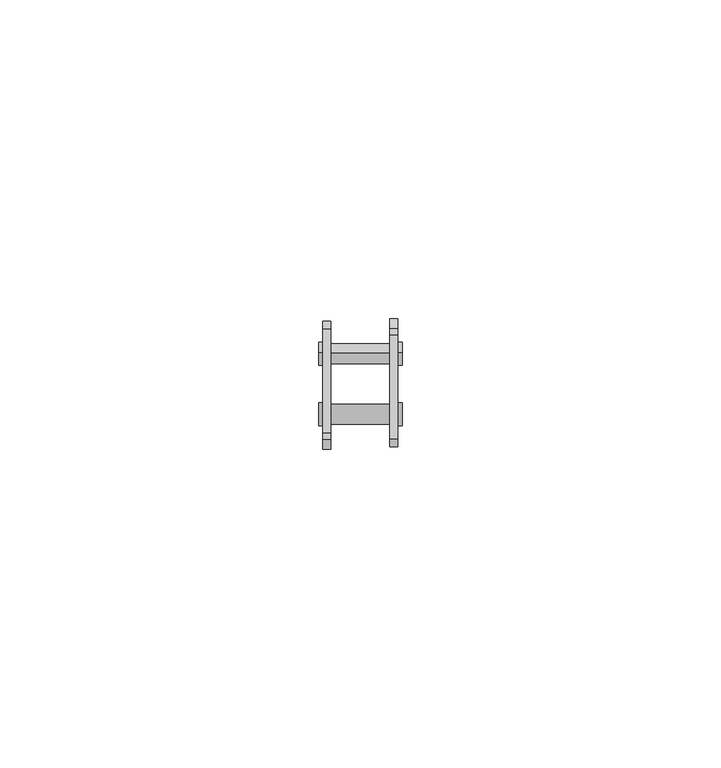
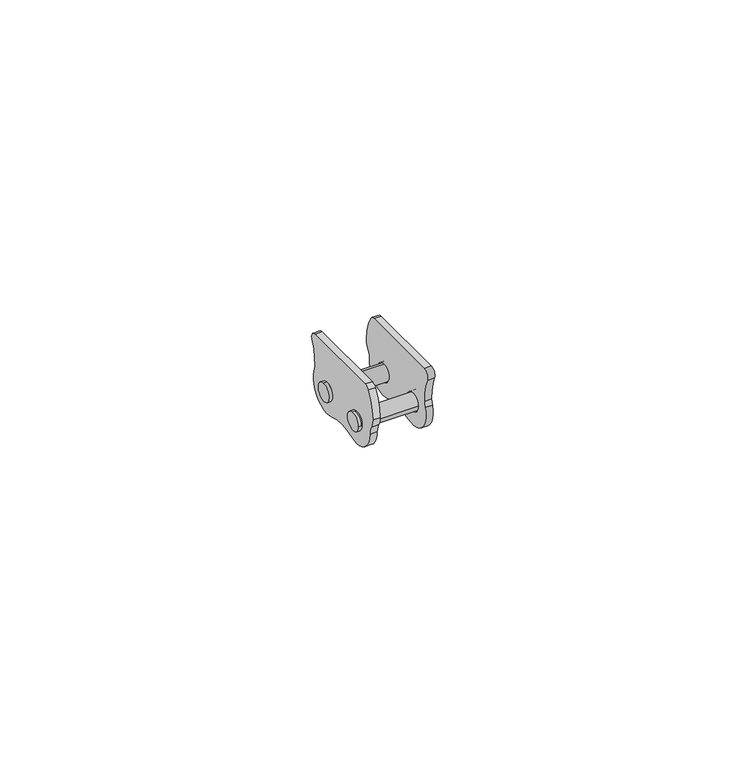
"""IFC4 building model written with IfcOpenShell, lengths in millimetres: proxy geometry."""

import ifcopenshell
import ifcopenshell.guid

model = None  # the IFC model being written
_history = None  # IfcOwnerHistory: only IFC2X3 demands one
_inside = {}  # id of a spatial element -> (the spatial element, [elements in it])
_under = {}  # id of a project, library or spatial element -> (it, [spatial elements below it])
_declared = {}  # id of a project -> (the project, [libraries it declares])
_typed = {}  # id of a type object -> (the type object, [elements of that type])
_made_of = {}  # id of a material, layer set ... -> (it, [elements and type objects made of it])


def new_model(schema):
    """Start an empty IFC model of exactly this schema.

    Asked for "IFC4X3", IfcOpenShell would pick the latest addendum, in which some entities
    have other attributes; the version numbers below select the first issue.
    IFC2X3 requires an IfcOwnerHistory on every rooted entity: one is made here for all.
    """
    global model, _history
    if schema == "IFC4X3":
        model = ifcopenshell.file(schema_version=(4, 3, 0, 0))
    else:
        model = ifcopenshell.file(schema=schema)
    _inside.clear()
    _under.clear()
    _declared.clear()
    _typed.clear()
    _made_of.clear()
    _history = None
    if model.schema == "IFC2X3":
        org = make("IfcOrganization", Name="unknown")
        user = make(
            "IfcPersonAndOrganization",
            ThePerson=make("IfcPerson", FamilyName="unknown"),
            TheOrganization=org,
        )
        app = make(
            "IfcApplication",
            ApplicationDeveloper=org,
            Version="unknown",
            ApplicationFullName="unknown",
            ApplicationIdentifier="unknown",
        )
        _history = make(
            "IfcOwnerHistory",
            OwningUser=user,
            OwningApplication=app,
            ChangeAction="ADDED",
            CreationDate=0,
        )
    return model


def make(cls, **values):
    """One entity of the class cls with the attributes given. An attribute that is None is left unset."""
    return model.create_entity(
        cls, **{name: value for name, value in values.items() if value is not None}
    )


def rooted(cls, **values):
    """An entity with a GlobalId (a new one), such as an element, a storey or a relation."""
    return make(cls, GlobalId=ifcopenshell.guid.new(), OwnerHistory=_history, **values)


def si_unit(unit_type, name, prefix=None):
    """IfcSIUnit, for example si_unit("LENGTHUNIT", "METRE", prefix="MILLI")."""
    return make("IfcSIUnit", UnitType=unit_type, Prefix=prefix, Name=name)


def assignment(units):
    """IfcUnitAssignment: the units of a project."""
    return None if units is None else make("IfcUnitAssignment", Units=units)


def point(xyz):
    """IfcCartesianPoint."""
    return None if xyz is None else make("IfcCartesianPoint", Coordinates=xyz)


def direction(xyz):
    """IfcDirection."""
    return None if xyz is None else make("IfcDirection", DirectionRatios=xyz)


def frame(location, z_axis=None, x_axis=None):
    """IfcAxis2Placement3D, a coordinate frame: its origin and axes. An axis left out is left unset."""
    return make(
        "IfcAxis2Placement3D",
        Location=point(location),
        Axis=direction(z_axis),
        RefDirection=direction(x_axis),
    )


def frame_2d(location, x_axis=None):
    """IfcAxis2Placement2D, a coordinate frame in the plane: its origin and x axis."""
    return make(
        "IfcAxis2Placement2D", Location=point(location), RefDirection=direction(x_axis)
    )


def origin():
    """The frame at (0, 0, 0) with its axes left unset."""
    return frame((0.0, 0.0, 0.0))


def origin_2d():
    """The frame at (0, 0) in the plane with its x axis left unset."""
    return frame_2d((0.0, 0.0))


def place(relative_to, where):
    """IfcLocalPlacement: puts the frame where relative to a parent placement (None: the world)."""
    return make(
        "IfcLocalPlacement", PlacementRelTo=relative_to, RelativePlacement=where
    )


def context(
    kind, dimensions, precision=None, world=None, true_north=None, identifier=None
):
    """IfcGeometricRepresentationContext, for example the 3D "Model" context."""
    return make(
        "IfcGeometricRepresentationContext",
        ContextIdentifier=identifier,
        ContextType=kind,
        CoordinateSpaceDimension=dimensions,
        Precision=precision,
        WorldCoordinateSystem=world,
        TrueNorth=true_north,
    )


def project(units=None, contexts=None):
    """IfcProject with its units and contexts."""
    return rooted(
        "IfcProject",
        Name="project",
        RepresentationContexts=contexts,
        UnitsInContext=assignment(units),
    )


def spatial(cls, under=None, at=None, **own):
    """A site, building, storey or space (cls), placed at a placement, below another one or the project."""
    s = rooted(cls, ObjectPlacement=at, **own)
    if under is not None:
        _under.setdefault(under.id(), (under, []))[1].append(s)
    return s


def polyline(points):
    """IfcPolyline through the points."""
    return make("IfcPolyline", Points=[point(p) for p in points])


def circle_curve(where, radius):
    """IfcCircle in the frame where."""
    return make("IfcCircle", Position=where, Radius=radius)


def trimmed(basis, trim1, trim2, sense, master):
    """IfcTrimmedCurve: the piece of a basis curve between two trims."""
    return make(
        "IfcTrimmedCurve",
        BasisCurve=basis,
        Trim1=trim1,
        Trim2=trim2,
        SenseAgreement=sense,
        MasterRepresentation=master,
    )


def segment(curve, same_sense, transition):
    """IfcCompositeCurveSegment."""
    return make(
        "IfcCompositeCurveSegment",
        Transition=transition,
        SameSense=same_sense,
        ParentCurve=curve,
    )


def composite_curve(segments, self_intersect=None):
    """IfcCompositeCurve: segments joined end to end."""
    return make("IfcCompositeCurve", Segments=segments, SelfIntersect=self_intersect)


def outline(outer, holes=None, kind="AREA"):
    """IfcArbitraryClosedProfileDef: a profile drawn as a closed curve; with holes, ...WithVoids."""
    if holes is None:
        return make("IfcArbitraryClosedProfileDef", ProfileType=kind, OuterCurve=outer)
    return make(
        "IfcArbitraryProfileDefWithVoids",
        ProfileType=kind,
        OuterCurve=outer,
        InnerCurves=holes,
    )


def extrude(swept, where, along, depth):
    """IfcExtrudedAreaSolid: the profile swept, set in the frame where, extruded along a direction by depth."""
    return make(
        "IfcExtrudedAreaSolid",
        SweptArea=swept,
        Position=where,
        ExtrudedDirection=direction(along),
        Depth=depth,
    )


def shape(context_of_items, identifier, shape_type, items):
    """IfcShapeRepresentation: the items that make up one representation, for example the "Body"."""
    return make(
        "IfcShapeRepresentation",
        ContextOfItems=context_of_items,
        RepresentationIdentifier=identifier,
        RepresentationType=shape_type,
        Items=items,
    )


def source(mapping_origin, context_of_items, identifier, shape_type, items):
    """IfcRepresentationMap: a shape defined once, which mapped items show again and again."""
    return make(
        "IfcRepresentationMap",
        MappingOrigin=mapping_origin,
        MappedRepresentation=shape(context_of_items, identifier, shape_type, items),
    )


def transform(
    local_origin,
    x_axis=None,
    y_axis=None,
    z_axis=None,
    scale=None,
    scale2=None,
    scale3=None,
    uniform=True,
):
    """IfcCartesianTransformationOperator3D, or its non-uniform kind. x_axis, y_axis, z_axis: its Axis1, 2, 3."""
    if uniform:
        return make(
            "IfcCartesianTransformationOperator3D",
            Axis1=direction(x_axis),
            Axis2=direction(y_axis),
            LocalOrigin=point(local_origin),
            Scale=scale,
            Axis3=direction(z_axis),
        )
    return make(
        "IfcCartesianTransformationOperator3DnonUniform",
        Axis1=direction(x_axis),
        Axis2=direction(y_axis),
        LocalOrigin=point(local_origin),
        Scale=scale,
        Axis3=direction(z_axis),
        Scale2=scale2,
        Scale3=scale3,
    )


def mapped(mapping_source, mapping_target):
    """IfcMappedItem: shows the shape of a source again, moved by a transform."""
    return make(
        "IfcMappedItem", MappingSource=mapping_source, MappingTarget=mapping_target
    )


def made_of(thing, what):
    """Note that an element or type object is made of a material, layer set ...; save() writes the relation."""
    if what is not None:
        _made_of.setdefault(what.id(), (what, []))[1].append(thing)
    return thing


def element(
    cls,
    number,
    at=None,
    inside=None,
    cuts=None,
    type_object=None,
    material=None,
    context=None,
    identifier="Body",
    shape_type=None,
    held_by="IfcProductDefinitionShape",
    body=None,
    shapes=None,
    **own,
):
    """One element of the class cls, such as IfcWall. Its Tag is "e" and its number.

    at: its placement. inside: the storey or other place that contains it. cuts: it is an
    opening in that element (IfcRelVoidsElement). A single representation is given by context,
    identifier, shape_type and body (its items); several are given by shapes. held_by: the class
    of the entity that holds the representations. save() writes the other relations.
    """
    e = rooted(cls, Tag="e%d" % number, ObjectPlacement=at, **own)
    if body is not None:
        shapes = [shape(context, identifier, shape_type, body)]
    if shapes is not None:
        e.Representation = make(held_by, Representations=shapes)
    if inside is not None:
        _inside.setdefault(inside.id(), (inside, []))[1].append(e)
    if cuts is not None:
        rooted(
            "IfcRelVoidsElement", RelatingBuildingElement=cuts, RelatedOpeningElement=e
        )
    if type_object is not None:
        _typed.setdefault(type_object.id(), (type_object, []))[1].append(e)
    return made_of(e, material)


def aggregate(whole, parts):
    """IfcRelAggregates: a whole, such as a stair, and the parts it consists of."""
    return rooted("IfcRelAggregates", RelatingObject=whole, RelatedObjects=parts)


def save(model, path):
    """Write the relations noted so far, then the file.

    IfcRelAggregates (storeys below a building ...), IfcRelContainedInSpatialStructure (elements
    in a storey), IfcRelDefinesByType, IfcRelAssociatesMaterial and IfcRelDeclares: one each for
    every whole, place, type object, material and project.
    """
    for whole, parts in _under.values():
        aggregate(whole, parts)
    for where, things in _inside.values():
        rooted(
            "IfcRelContainedInSpatialStructure",
            RelatedElements=things,
            RelatingStructure=where,
        )
    for kind, things in _typed.values():
        rooted("IfcRelDefinesByType", RelatedObjects=things, RelatingType=kind)
    for what, things in _made_of.values():
        rooted("IfcRelAssociatesMaterial", RelatedObjects=things, RelatingMaterial=what)
    for by, libraries in _declared.values():
        rooted("IfcRelDeclares", RelatingContext=by, RelatedDefinitions=libraries)
    model.write(path)


def plane_surface(at):
    """IfcPlane: the flat surface through the origin of the frame at, square to its z axis."""
    return make("IfcPlane", Position=at)


def cylinder_surface(at, radius):
    """IfcCylindricalSurface: all points at the distance radius from the z axis of the frame at."""
    return make("IfcCylindricalSurface", Position=at, Radius=radius)


def advanced_brep(points, edges, surfaces, faces):
    """IfcAdvancedBrep: a solid bounded by faces that lie on surfaces and meet in shared edges.

    An edge is (start, end): straight between two places in points (the first is 0);
    or (start, end, curve); or (start, end, curve, False) where it runs against its curve.
    A face is (place in surfaces, loops), or (place, loops, False) where it looks against
    its surface's normal. A loop lists edges by number (the first is 1), with a minus sign
    where the edge is run from its end to its start. The first loop is the outer one.
    """
    corners = [point(p) for p in points]
    vertices = [make("IfcVertexPoint", VertexGeometry=c) for c in corners]
    made = []
    for start, end, *more in edges:
        made.append(
            make(
                "IfcEdgeCurve",
                EdgeStart=vertices[start],
                EdgeEnd=vertices[end],
                EdgeGeometry=more[0] if more else make("IfcPolyline", Points=[corners[start], corners[end]]),
                SameSense=more[1] if len(more) > 1 else True,
            )
        )
    hull = []
    for where, loops, *sense in faces:
        bounds = []
        for j, loop in enumerate(loops):
            ring = [make("IfcOrientedEdge", EdgeElement=made[abs(k) - 1], Orientation=k > 0) for k in loop]
            bounds.append(
                make(
                    "IfcFaceOuterBound" if j == 0 else "IfcFaceBound",
                    Bound=make("IfcEdgeLoop", EdgeList=ring),
                    Orientation=True,
                )
            )
        hull.append(make("IfcAdvancedFace", Bounds=bounds, FaceSurface=surfaces[where], SameSense=sense[0] if sense else True))
    return make("IfcAdvancedBrep", Outer=make("IfcClosedShell", CfsFaces=hull))


def generic_models_4aa16a3c(model_context):
    return source(origin(), model_context, "Body", "SolidModel", [
        advanced_brep(
        [(-5.905, -11.315, 0.0), (-6.545, -11.315, 0.0), (-6.545, -7.735, 0.0), (-5.905, -7.735, 0.0), (5.905, -11.115, 0.0), (-5.905, -11.115, 0.0), (-5.905, -7.935, 0.0), (5.905, -7.935, 0.0), (6.545, -11.315, 0.0), (5.905, -11.315, 0.0), (5.905, -7.735, 0.0), (6.545, -7.735, 0.0)],
        [
            (0, 1),
            (1, 2, circle_curve(frame((-6.545, -9.525, 0.0), z_axis=(1.0, 0.0, 0.0), x_axis=(0.0, -1.0, 0.0)), 1.79)),
            (2, 3),
            (3, 0, circle_curve(frame((-5.905, -9.525, 0.0), z_axis=(-1.0, 0.0, 0.0), x_axis=(0.0, -1.0, 0.0)), 1.79)),
            (4, 5),
            (5, 6, circle_curve(frame((-5.905, -9.525, 0.0), z_axis=(1.0, 0.0, 0.0), x_axis=(0.0, -1.0, 0.0)), 1.59)),
            (6, 7),
            (7, 4, circle_curve(frame((5.905, -9.525, 0.0), z_axis=(-1.0, 0.0, 0.0), x_axis=(0.0, -1.0, 0.0)), 1.59)),
            (8, 9),
            (9, 10, circle_curve(frame((5.905, -9.525, 0.0), z_axis=(1.0, 0.0, 0.0), x_axis=(0.0, -1.0, 0.0)), 1.79)),
            (10, 11),
            (11, 8, circle_curve(frame((6.545, -9.525, 0.0), z_axis=(-1.0, 0.0, 0.0), x_axis=(0.0, -1.0, 0.0)), 1.79)),
            (11, 8, circle_curve(frame((6.545, -9.525, 0.0), z_axis=(1.0, 0.0, 0.0), x_axis=(0.0, -1.0, 0.0)), 1.79)),
            (10, 9, circle_curve(frame((5.905, -9.525, 0.0), z_axis=(1.0, 0.0, 0.0), x_axis=(0.0, -1.0, 0.0)), 1.79)),
            (7, 4, circle_curve(frame((5.905, -9.525, 0.0), z_axis=(1.0, 0.0, 0.0), x_axis=(0.0, -1.0, 0.0)), 1.59)),
            (6, 5, circle_curve(frame((-5.905, -9.525, 0.0), z_axis=(1.0, 0.0, 0.0), x_axis=(0.0, -1.0, 0.0)), 1.59)),
            (3, 0, circle_curve(frame((-5.905, -9.525, 0.0), z_axis=(1.0, 0.0, 0.0), x_axis=(0.0, -1.0, 0.0)), 1.79)),
            (2, 1, circle_curve(frame((-6.545, -9.525, 0.0), z_axis=(1.0, 0.0, 0.0), x_axis=(0.0, -1.0, 0.0)), 1.79)),
        ],
        [
            cylinder_surface(frame((-6.225, -9.525, 0.0), z_axis=(-1.0, 0.0, 0.0), x_axis=(0.0, -1.0, 0.0)), 1.79),
            cylinder_surface(frame((0.0, -9.525, 0.0), z_axis=(-1.0, 0.0, 0.0), x_axis=(0.0, -1.0, 0.0)), 1.59),
            cylinder_surface(frame((6.225, -9.525, 0.0), z_axis=(-1.0, 0.0, 0.0), x_axis=(0.0, -1.0, 0.0)), 1.79),
            plane_surface(frame((6.545, -10.42, 0.0), z_axis=(1.0, 0.0, 0.0), x_axis=(0.0, 0.0, 1.0))),
            plane_surface(frame((5.905, -11.215, 0.0), z_axis=(-1.0, 0.0, 0.0), x_axis=(0.0, 0.0, -1.0))),
            plane_surface(frame((-5.905, -11.215, 0.0), z_axis=(1.0, 0.0, 0.0), x_axis=(0.0, 0.0, 1.0))),
            plane_surface(frame((-6.545, -10.42, 0.0), z_axis=(-1.0, 0.0, 0.0), x_axis=(0.0, 0.0, -1.0))),
        ],
        [
            (0, [[1, 2, 3, 4]]),
            (1, [[5, 6, 7, 8]]),
            (2, [[9, 10, 11, 12]]),
            (3, [[13, -12]]),
            (2, [[-9, -13, -11, 14]]),
            (4, [[-14, -10], [15, -8]]),
            (1, [[-5, -15, -7, 16]]),
            (5, [[17, -4], [-16, -6]]),
            (0, [[-1, -17, -3, 18]]),
            (6, [[-18, -2]]),
        ],
    ),
        extrude(outline(composite_curve([segment(trimmed(circle_curve(origin_2d(), 4.5), [point((4.2531196, 1.470025))], [point((-1.4780172, -4.2503488))], False, "CARTESIAN"), True, "CONTINUOUS"), segment(trimmed(circle_curve(frame_2d((-4.7625, -13.6955684)), 10.0), [point((-1.4780172, -4.2503488))], [point((-8.0469828, -4.2503488))], True, "CARTESIAN"), True, "CONTINUOUS"), segment(trimmed(circle_curve(frame_2d((-9.525, 0.0)), 4.5), [point((-8.0469828, -4.2503488))], [point((-14.025, 0.0))], False, "CARTESIAN"), True, "CONTINUOUS"), segment(trimmed(circle_curve(frame_2d((-17.0251981, 0.0)), 3.0001981), [point((-14.025, 0.0))], [point((-14.5233959, 1.6559512))], True, "CARTESIAN"), True, "CONTINUOUS"), segment(trimmed(circle_curve(frame_2d((-12.0215938, 3.3119025)), 3.0001981), [point((-14.5233959, 1.6559512))], [point((-15.0204168, 3.4027264))], False, "CARTESIAN"), True, "CONTINUOUS"), segment(trimmed(circle_curve(frame_2d((-5.025, 3.1)), 10.0), [point((-15.0204168, 3.4027264))], [point((-13.4792705, 8.4409091))], False, "CARTESIAN"), True, "CONTINUOUS"), segment(trimmed(circle_curve(frame_2d((-12.4647581, 7.8)), 1.2), [point((-13.4792705, 8.4409091))], [point((-12.4647581, 9.0))], False, "CARTESIAN"), True, "CONTINUOUS"), segment(polyline([(-12.4647581, 9.0), (3.8588798, 9.0)]), True, "CONTINUOUS"), segment(trimmed(circle_curve(frame_2d((3.8588798, 7.8)), 1.2), [point((3.8588798, 9.0))], [point((4.948107, 7.2964286))], False, "CARTESIAN"), True, "CONTINUOUS"), segment(trimmed(circle_curve(frame_2d((14.025, 3.1)), 10.0), [point((4.948107, 7.2964286))], [point((4.0395552, 2.5606561))], True, "CARTESIAN"), True, "CONTINUOUS"), segment(trimmed(circle_curve(frame_2d((8.0325608, 2.7763303)), 3.998826), [point((4.0395552, 2.5606561))], [point((4.2531196, 1.470025))], True, "CARTESIAN"), True, "CONTINUOUS")], self_intersect=False), holes=[composite_curve([segment(trimmed(circle_curve(frame_2d((-9.525, 0.0)), 1.75), [point((-7.775, 0.0))], [point((-11.275, 0.0))], True, "CARTESIAN"), True, "CONTINUOUS"), segment(trimmed(circle_curve(frame_2d((-9.525, 0.0)), 1.75), [point((-11.275, 0.0))], [point((-7.775, 0.0))], True, "CARTESIAN"), True, "CONTINUOUS")], self_intersect=False), composite_curve([segment(trimmed(circle_curve(origin_2d(), 1.75), [point((1.75, 0.0))], [point((-1.75, 0.0))], True, "CARTESIAN"), True, "CONTINUOUS"), segment(trimmed(circle_curve(origin_2d(), 1.75), [point((-1.75, 0.0))], [point((1.75, 0.0))], True, "CARTESIAN"), True, "CONTINUOUS")], self_intersect=False)]), frame((-5.905, 0.0, 0.0), z_axis=(1.0, 0.0, 0.0), x_axis=(0.0, 1.0, 0.0)), (0.0, 0.0, 1.0), 1.27),
        advanced_brep(
        [(-5.905, 0.1113613, 1.7865326), (-6.545, 0.1113613, 1.7865326), (-6.545, -0.1113613, -1.7865326), (-5.905, -0.1113613, -1.7865326), (5.905, 0.0989187, 1.58692), (-5.905, 0.0989187, 1.58692), (-5.905, -0.0989187, -1.58692), (5.905, -0.0989187, -1.58692), (6.545, 0.1113613, 1.7865326), (5.905, 0.1113613, 1.7865326), (5.905, -0.1113613, -1.7865326), (6.545, -0.1113613, -1.7865326)],
        [
            (0, 1),
            (1, 2, circle_curve(frame((-6.545, 0.0, 0.0), z_axis=(0.9999999999999944, 0.0, 0.0), x_axis=(0.0, 0.06221299971067965, 0.9980628951458944)), 1.79)),
            (2, 3),
            (3, 0, circle_curve(frame((-5.905, 0.0, 0.0), z_axis=(-0.9999999999999944, 0.0, 0.0), x_axis=(0.0, 0.06221299971067965, 0.9980628951458944)), 1.79)),
            (4, 5),
            (5, 6, circle_curve(frame((-5.905, 0.0, 0.0), z_axis=(0.9999999999999944, 0.0, 0.0), x_axis=(0.0, 0.06221299971067965, 0.9980628951458944)), 1.59)),
            (6, 7),
            (7, 4, circle_curve(frame((5.905, 0.0, 0.0), z_axis=(-0.9999999999999944, 0.0, 0.0), x_axis=(0.0, 0.06221299971067965, 0.9980628951458944)), 1.59)),
            (8, 9),
            (9, 10, circle_curve(frame((5.905, 0.0, 0.0), z_axis=(0.9999999999999944, 0.0, 0.0), x_axis=(0.0, 0.06221299971067965, 0.9980628951458944)), 1.79)),
            (10, 11),
            (11, 8, circle_curve(frame((6.545, 0.0, 0.0), z_axis=(-0.9999999999999944, 0.0, 0.0), x_axis=(0.0, 0.06221299971067965, 0.9980628951458944)), 1.79)),
            (11, 8, circle_curve(frame((6.545, 0.0, 0.0), z_axis=(0.9999999999999944, 0.0, 0.0), x_axis=(0.0, 0.06221299971067965, 0.9980628951458944)), 1.79)),
            (10, 9, circle_curve(frame((5.905, 0.0, 0.0), z_axis=(0.9999999999999944, 0.0, 0.0), x_axis=(0.0, 0.06221299971067965, 0.9980628951458944)), 1.79)),
            (7, 4, circle_curve(frame((5.905, 0.0, 0.0), z_axis=(0.9999999999999944, 0.0, 0.0), x_axis=(0.0, 0.06221299971067965, 0.9980628951458944)), 1.59)),
            (6, 5, circle_curve(frame((-5.905, 0.0, 0.0), z_axis=(0.9999999999999944, 0.0, 0.0), x_axis=(0.0, 0.06221299971067965, 0.9980628951458944)), 1.59)),
            (3, 0, circle_curve(frame((-5.905, 0.0, 0.0), z_axis=(0.9999999999999944, 0.0, 0.0), x_axis=(0.0, 0.06221299971067965, 0.9980628951458944)), 1.79)),
            (2, 1, circle_curve(frame((-6.545, 0.0, 0.0), z_axis=(0.9999999999999944, 0.0, 0.0), x_axis=(0.0, 0.06221299971067965, 0.9980628951458944)), 1.79)),
        ],
        [
            cylinder_surface(frame((-6.225, 0.0, 0.0), z_axis=(-0.9999999999999944, 0.0, 0.0), x_axis=(0.0, 0.06221299971067965, 0.9980628951458944)), 1.79),
            cylinder_surface(frame((0.0, 0.0, 0.0), z_axis=(-0.9999999999999944, 0.0, 0.0), x_axis=(0.0, 0.06221299971067965, 0.9980628951458944)), 1.59),
            cylinder_surface(frame((6.225, 0.0, 0.0), z_axis=(-0.9999999999999944, 0.0, 0.0), x_axis=(0.0, 0.06221299971067965, 0.9980628951458944)), 1.79),
            plane_surface(frame((6.545, 0.0556806, 0.8932663), z_axis=(0.9999999999999944, 0.0, 0.0), x_axis=(0.0, 0.9980628951458944, -0.06221299971067965))),
            plane_surface(frame((5.905, 0.10514, 1.6867263), z_axis=(-0.9999999999999944, 0.0, 0.0), x_axis=(0.0, -0.9980628951458944, 0.06221299971067965))),
            plane_surface(frame((-5.905, 0.10514, 1.6867263), z_axis=(0.9999999999999944, 0.0, 0.0), x_axis=(0.0, 0.9980628951458944, -0.06221299971067965))),
            plane_surface(frame((-6.545, 0.0556806, 0.8932663), z_axis=(-0.9999999999999944, 0.0, 0.0), x_axis=(0.0, -0.9980628951458944, 0.06221299971067965))),
        ],
        [
            (0, [[1, 2, 3, 4]]),
            (1, [[5, 6, 7, 8]]),
            (2, [[9, 10, 11, 12]]),
            (3, [[13, -12]]),
            (2, [[-9, -13, -11, 14]]),
            (4, [[-14, -10], [15, -8]]),
            (1, [[-5, -15, -7, 16]]),
            (5, [[17, -4], [-16, -6]]),
            (0, [[-1, -17, -3, 18]]),
            (6, [[-18, -2]]),
        ],
    ),
        extrude(outline(composite_curve([segment(trimmed(circle_curve(frame_2d((-4.7625, -13.6955684)), 10.0), [point((-1.4780172, -4.2503488))], [point((-8.0469828, -4.2503488))], True, "CARTESIAN"), True, "CONTINUOUS"), segment(trimmed(circle_curve(frame_2d((-9.525, 0.0)), 4.5), [point((-8.0469828, -4.2503488))], [point((-13.7781196, 1.470025))], False, "CARTESIAN"), True, "CONTINUOUS"), segment(trimmed(circle_curve(frame_2d((-17.5575608, 2.7763303)), 3.998826), [point((-13.7781196, 1.470025))], [point((-13.5645552, 2.5606561))], True, "CARTESIAN"), True, "CONTINUOUS"), segment(trimmed(circle_curve(frame_2d((-23.55, 3.1)), 10.0), [point((-13.5645552, 2.5606561))], [point((-14.473107, 7.2964286))], True, "CARTESIAN"), True, "CONTINUOUS"), segment(trimmed(circle_curve(frame_2d((-13.3838798, 7.8)), 1.2), [point((-14.473107, 7.2964286))], [point((-13.3838798, 9.0))], False, "CARTESIAN"), True, "CONTINUOUS"), segment(polyline([(-13.3838798, 9.0), (2.9397581, 9.0)]), True, "CONTINUOUS"), segment(trimmed(circle_curve(frame_2d((2.9397581, 7.8)), 1.2), [point((2.9397581, 9.0))], [point((3.9542705, 8.4409091))], False, "CARTESIAN"), True, "CONTINUOUS"), segment(trimmed(circle_curve(frame_2d((-4.5, 3.1)), 10.0), [point((3.9542705, 8.4409091))], [point((5.4954168, 3.4027264))], False, "CARTESIAN"), True, "CONTINUOUS"), segment(trimmed(circle_curve(frame_2d((2.4965938, 3.3119025)), 3.0001981), [point((5.4954168, 3.4027264))], [point((4.9983959, 1.6559512))], False, "CARTESIAN"), True, "CONTINUOUS"), segment(trimmed(circle_curve(frame_2d((7.5001981, 0.0)), 3.0001981), [point((4.9983959, 1.6559512))], [point((4.5, 0.0))], True, "CARTESIAN"), True, "CONTINUOUS"), segment(trimmed(circle_curve(origin_2d(), 4.5), [point((4.5, 0.0))], [point((-1.4780172, -4.2503488))], False, "CARTESIAN"), True, "CONTINUOUS")], self_intersect=False), holes=[composite_curve([segment(trimmed(circle_curve(frame_2d((-9.525, 0.0)), 1.75), [point((-11.275, 0.0))], [point((-7.775, 0.0))], True, "CARTESIAN"), True, "CONTINUOUS"), segment(trimmed(circle_curve(frame_2d((-9.525, 0.0)), 1.75), [point((-7.775, 0.0))], [point((-11.275, 0.0))], True, "CARTESIAN"), True, "CONTINUOUS")], self_intersect=False), composite_curve([segment(trimmed(circle_curve(origin_2d(), 1.75), [point((-1.75, 0.0))], [point((1.75, 0.0))], True, "CARTESIAN"), True, "CONTINUOUS"), segment(trimmed(circle_curve(origin_2d(), 1.75), [point((1.75, 0.0))], [point((-1.75, 0.0))], True, "CARTESIAN"), True, "CONTINUOUS")], self_intersect=False)]), frame((4.635, 0.0, 0.0), z_axis=(1.0, 0.0, 0.0), x_axis=(0.0, 1.0, 0.0)), (0.0, 0.0, 1.0), 1.27),
    ])


if __name__ == "__main__":
    model = new_model("IFC4")
    model_context = context("Model", 3, world=origin())
    ifc_project = project(units=[si_unit("LENGTHUNIT", "METRE", prefix="MILLI")], contexts=[model_context])
    site = spatial("IfcSite", under=ifc_project)
    building = spatial("IfcBuilding", under=site)
    placement = place(None, origin())
    generic_models_shape = generic_models_4aa16a3c(model_context)
    element("IfcBuildingElementProxy", 1, Name="Generic Models", at=placement, inside=building, context=model_context, shape_type="MappedRepresentation", body=[
        mapped(generic_models_shape, transform((0.0, 0.0, 0.0), x_axis=(1.0, 0.0, 0.0), y_axis=(0.0, 1.0, 0.0), z_axis=(0.0, 0.0, 1.0))),
    ])
    save(model, "model.ifc")
